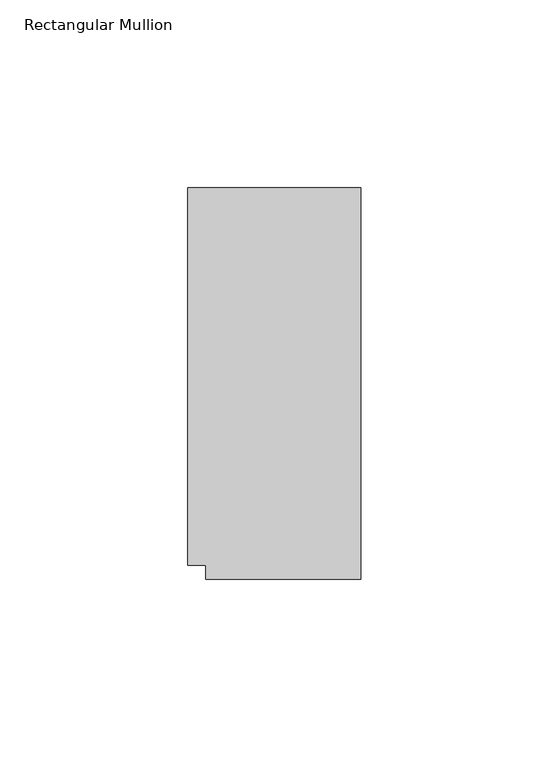
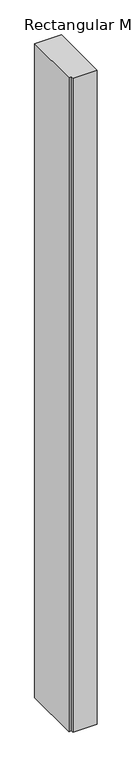
"""IFC4 building model written with IfcOpenShell, lengths in millimetres: member geometry, Rectangular Mullion."""

import ifcopenshell
import ifcopenshell.guid

model = None  # the IFC model being written
_history = None  # IfcOwnerHistory: only IFC2X3 demands one
_inside = {}  # id of a spatial element -> (the spatial element, [elements in it])
_under = {}  # id of a project, library or spatial element -> (it, [spatial elements below it])
_declared = {}  # id of a project -> (the project, [libraries it declares])
_typed = {}  # id of a type object -> (the type object, [elements of that type])
_made_of = {}  # id of a material, layer set ... -> (it, [elements and type objects made of it])


def new_model(schema):
    """Start an empty IFC model of exactly this schema.

    Asked for "IFC4X3", IfcOpenShell would pick the latest addendum, in which some entities
    have other attributes; the version numbers below select the first issue.
    IFC2X3 requires an IfcOwnerHistory on every rooted entity: one is made here for all.
    """
    global model, _history
    if schema == "IFC4X3":
        model = ifcopenshell.file(schema_version=(4, 3, 0, 0))
    else:
        model = ifcopenshell.file(schema=schema)
    _inside.clear()
    _under.clear()
    _declared.clear()
    _typed.clear()
    _made_of.clear()
    _history = None
    if model.schema == "IFC2X3":
        org = make("IfcOrganization", Name="unknown")
        user = make(
            "IfcPersonAndOrganization",
            ThePerson=make("IfcPerson", FamilyName="unknown"),
            TheOrganization=org,
        )
        app = make(
            "IfcApplication",
            ApplicationDeveloper=org,
            Version="unknown",
            ApplicationFullName="unknown",
            ApplicationIdentifier="unknown",
        )
        _history = make(
            "IfcOwnerHistory",
            OwningUser=user,
            OwningApplication=app,
            ChangeAction="ADDED",
            CreationDate=0,
        )
    return model


def make(cls, **values):
    """One entity of the class cls with the attributes given. An attribute that is None is left unset."""
    return model.create_entity(
        cls, **{name: value for name, value in values.items() if value is not None}
    )


def rooted(cls, **values):
    """An entity with a GlobalId (a new one), such as an element, a storey or a relation."""
    return make(cls, GlobalId=ifcopenshell.guid.new(), OwnerHistory=_history, **values)


def si_unit(unit_type, name, prefix=None):
    """IfcSIUnit, for example si_unit("LENGTHUNIT", "METRE", prefix="MILLI")."""
    return make("IfcSIUnit", UnitType=unit_type, Prefix=prefix, Name=name)


def assignment(units):
    """IfcUnitAssignment: the units of a project."""
    return None if units is None else make("IfcUnitAssignment", Units=units)


def point(xyz):
    """IfcCartesianPoint."""
    return None if xyz is None else make("IfcCartesianPoint", Coordinates=xyz)


def direction(xyz):
    """IfcDirection."""
    return None if xyz is None else make("IfcDirection", DirectionRatios=xyz)


def frame(location, z_axis=None, x_axis=None):
    """IfcAxis2Placement3D, a coordinate frame: its origin and axes. An axis left out is left unset."""
    return make(
        "IfcAxis2Placement3D",
        Location=point(location),
        Axis=direction(z_axis),
        RefDirection=direction(x_axis),
    )


def origin():
    """The frame at (0, 0, 0) with its axes left unset."""
    return frame((0.0, 0.0, 0.0))


def place(relative_to, where):
    """IfcLocalPlacement: puts the frame where relative to a parent placement (None: the world)."""
    return make(
        "IfcLocalPlacement", PlacementRelTo=relative_to, RelativePlacement=where
    )


def context(
    kind, dimensions, precision=None, world=None, true_north=None, identifier=None
):
    """IfcGeometricRepresentationContext, for example the 3D "Model" context."""
    return make(
        "IfcGeometricRepresentationContext",
        ContextIdentifier=identifier,
        ContextType=kind,
        CoordinateSpaceDimension=dimensions,
        Precision=precision,
        WorldCoordinateSystem=world,
        TrueNorth=true_north,
    )


def project(units=None, contexts=None):
    """IfcProject with its units and contexts."""
    return rooted(
        "IfcProject",
        Name="project",
        RepresentationContexts=contexts,
        UnitsInContext=assignment(units),
    )


def spatial(cls, under=None, at=None, **own):
    """A site, building, storey or space (cls), placed at a placement, below another one or the project."""
    s = rooted(cls, ObjectPlacement=at, **own)
    if under is not None:
        _under.setdefault(under.id(), (under, []))[1].append(s)
    return s


def polyline(points):
    """IfcPolyline through the points."""
    return make("IfcPolyline", Points=[point(p) for p in points])


def outline(outer, holes=None, kind="AREA"):
    """IfcArbitraryClosedProfileDef: a profile drawn as a closed curve; with holes, ...WithVoids."""
    if holes is None:
        return make("IfcArbitraryClosedProfileDef", ProfileType=kind, OuterCurve=outer)
    return make(
        "IfcArbitraryProfileDefWithVoids",
        ProfileType=kind,
        OuterCurve=outer,
        InnerCurves=holes,
    )


def extrude(swept, where, along, depth):
    """IfcExtrudedAreaSolid: the profile swept, set in the frame where, extruded along a direction by depth."""
    return make(
        "IfcExtrudedAreaSolid",
        SweptArea=swept,
        Position=where,
        ExtrudedDirection=direction(along),
        Depth=depth,
    )


def shape(context_of_items, identifier, shape_type, items):
    """IfcShapeRepresentation: the items that make up one representation, for example the "Body"."""
    return make(
        "IfcShapeRepresentation",
        ContextOfItems=context_of_items,
        RepresentationIdentifier=identifier,
        RepresentationType=shape_type,
        Items=items,
    )


def source(mapping_origin, context_of_items, identifier, shape_type, items):
    """IfcRepresentationMap: a shape defined once, which mapped items show again and again."""
    return make(
        "IfcRepresentationMap",
        MappingOrigin=mapping_origin,
        MappedRepresentation=shape(context_of_items, identifier, shape_type, items),
    )


def transform(
    local_origin,
    x_axis=None,
    y_axis=None,
    z_axis=None,
    scale=None,
    scale2=None,
    scale3=None,
    uniform=True,
):
    """IfcCartesianTransformationOperator3D, or its non-uniform kind. x_axis, y_axis, z_axis: its Axis1, 2, 3."""
    if uniform:
        return make(
            "IfcCartesianTransformationOperator3D",
            Axis1=direction(x_axis),
            Axis2=direction(y_axis),
            LocalOrigin=point(local_origin),
            Scale=scale,
            Axis3=direction(z_axis),
        )
    return make(
        "IfcCartesianTransformationOperator3DnonUniform",
        Axis1=direction(x_axis),
        Axis2=direction(y_axis),
        LocalOrigin=point(local_origin),
        Scale=scale,
        Axis3=direction(z_axis),
        Scale2=scale2,
        Scale3=scale3,
    )


def mapped(mapping_source, mapping_target):
    """IfcMappedItem: shows the shape of a source again, moved by a transform."""
    return make(
        "IfcMappedItem", MappingSource=mapping_source, MappingTarget=mapping_target
    )


def made_of(thing, what):
    """Note that an element or type object is made of a material, layer set ...; save() writes the relation."""
    if what is not None:
        _made_of.setdefault(what.id(), (what, []))[1].append(thing)
    return thing


def element(
    cls,
    number,
    at=None,
    inside=None,
    cuts=None,
    type_object=None,
    material=None,
    context=None,
    identifier="Body",
    shape_type=None,
    held_by="IfcProductDefinitionShape",
    body=None,
    shapes=None,
    **own,
):
    """One element of the class cls, such as IfcWall. Its Tag is "e" and its number.

    at: its placement. inside: the storey or other place that contains it. cuts: it is an
    opening in that element (IfcRelVoidsElement). A single representation is given by context,
    identifier, shape_type and body (its items); several are given by shapes. held_by: the class
    of the entity that holds the representations. save() writes the other relations.
    """
    e = rooted(cls, Tag="e%d" % number, ObjectPlacement=at, **own)
    if body is not None:
        shapes = [shape(context, identifier, shape_type, body)]
    if shapes is not None:
        e.Representation = make(held_by, Representations=shapes)
    if inside is not None:
        _inside.setdefault(inside.id(), (inside, []))[1].append(e)
    if cuts is not None:
        rooted(
            "IfcRelVoidsElement", RelatingBuildingElement=cuts, RelatedOpeningElement=e
        )
    if type_object is not None:
        _typed.setdefault(type_object.id(), (type_object, []))[1].append(e)
    return made_of(e, material)


def aggregate(whole, parts):
    """IfcRelAggregates: a whole, such as a stair, and the parts it consists of."""
    return rooted("IfcRelAggregates", RelatingObject=whole, RelatedObjects=parts)


def save(model, path):
    """Write the relations noted so far, then the file.

    IfcRelAggregates (storeys below a building ...), IfcRelContainedInSpatialStructure (elements
    in a storey), IfcRelDefinesByType, IfcRelAssociatesMaterial and IfcRelDeclares: one each for
    every whole, place, type object, material and project.
    """
    for whole, parts in _under.values():
        aggregate(whole, parts)
    for where, things in _inside.values():
        rooted(
            "IfcRelContainedInSpatialStructure",
            RelatedElements=things,
            RelatingStructure=where,
        )
    for kind, things in _typed.values():
        rooted("IfcRelDefinesByType", RelatedObjects=things, RelatingType=kind)
    for what, things in _made_of.values():
        rooted("IfcRelAssociatesMaterial", RelatedObjects=things, RelatingMaterial=what)
    for by, libraries in _declared.values():
        rooted("IfcRelDeclares", RelatingContext=by, RelatedDefinitions=libraries)
    model.write(path)


def rectangular_mullion_f8d68717(model_context):
    return source(origin(), model_context, "Body", "SweptSolid", [
        extrude(outline(polyline([(-41.2496, -50.1916065), (-46.01845, -50.1916065), (-46.01845, 50.1853835), (0.0, 50.1853835), (0.0, -53.976397), (-41.2496, -53.976397), (-41.2496, -50.1916065)])), frame((0.0, 0.0, -1174.75381), z_axis=(0.0, 0.0, 1.0), x_axis=(1.0, 0.0, 0.0)), (0.0, 0.0, 1.0), 1174.75381),
    ])


if __name__ == "__main__":
    model = new_model("IFC4")
    model_context = context("Model", 3, world=origin())
    ifc_project = project(units=[si_unit("LENGTHUNIT", "METRE", prefix="MILLI")], contexts=[model_context])
    site = spatial("IfcSite", under=ifc_project)
    building = spatial("IfcBuilding", under=site)
    placement = place(None, origin())
    rectangular_mullion_shape = rectangular_mullion_f8d68717(model_context)
    element("IfcMember", 1, ObjectType="Rectangular Mullion", at=placement, inside=building, context=model_context, shape_type="MappedRepresentation", body=[
        mapped(rectangular_mullion_shape, transform((0.0, 0.0, 0.0), x_axis=(1.0, 0.0, 0.0), y_axis=(0.0, 1.0, 0.0), z_axis=(0.0, 0.0, 1.0))),
    ])
    save(model, "model.ifc")
